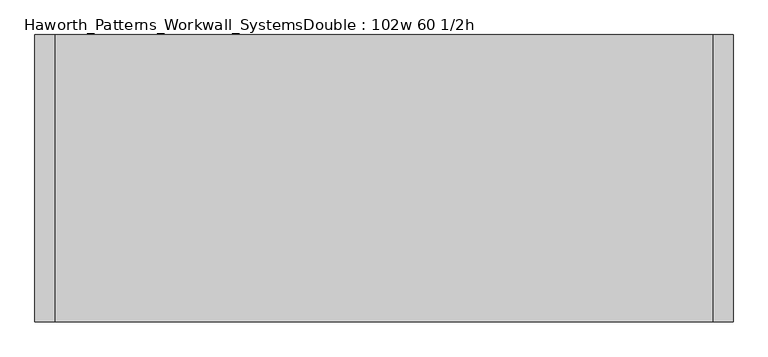
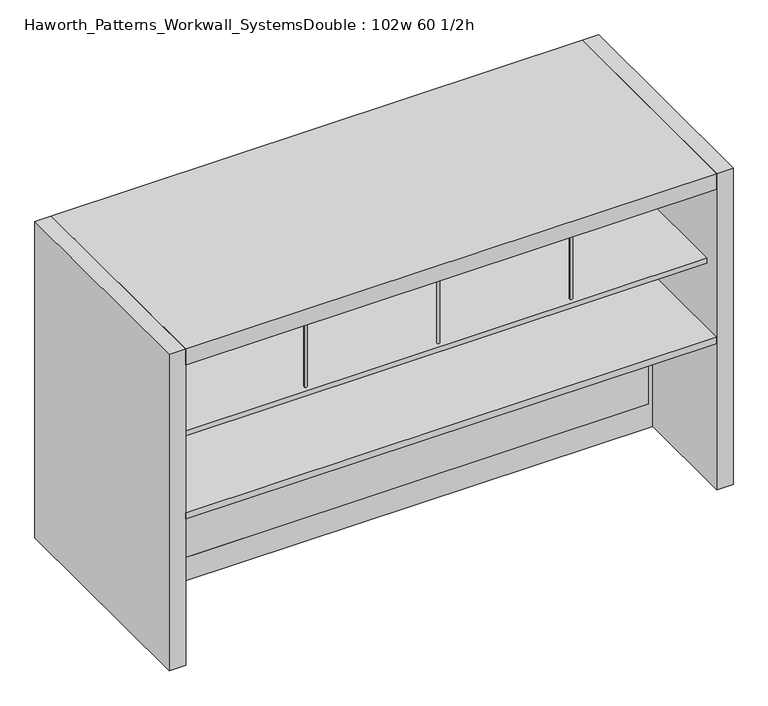
"""IFC4 building model written with IfcOpenShell, lengths in millimetres: furniture geometry, Haworth_Patterns_Workwall_SystemsDouble : 102w 60 1/2h."""

from ifc_helpers import new_model, si_unit, point, frame, frame_2d, origin, origin_with_axes, place, context, project, spatial, polyline, circle_curve, trimmed, segment, composite_curve, outline, extrude, source, transform, mapped, element, save


def haworth_patterns_workwall_systemsdouble_102w_60_1_2h_e6796c5b(model_context):
    return source(origin(), model_context, "Body", "SweptSolid", [
        extrude(outline(composite_curve([segment(trimmed(circle_curve(frame_2d((-609.6, 787.4)), 6.35), [point((-603.25, 787.4))], [point((-615.95, 787.4))], False, "CARTESIAN"), True, "CONTINUOUS"), segment(trimmed(circle_curve(frame_2d((-609.6, 787.4)), 6.35), [point((-615.95, 787.4))], [point((-603.25, 787.4))], False, "CARTESIAN"), True, "CONTINUOUS")], self_intersect=False)), frame((0.0, 0.0, 1079.5), z_axis=(0.0, 0.0, 1.0), x_axis=(1.0, 0.0, 0.0)), (0.0, 0.0, 1.0), 381.0),
        extrude(outline(composite_curve([segment(trimmed(circle_curve(frame_2d((-609.6, 406.4)), 6.35), [point((-603.25, 406.4))], [point((-615.95, 406.4))], False, "CARTESIAN"), True, "CONTINUOUS"), segment(trimmed(circle_curve(frame_2d((-609.6, 406.4)), 6.35), [point((-615.95, 406.4))], [point((-603.25, 406.4))], False, "CARTESIAN"), True, "CONTINUOUS")], self_intersect=False)), frame((0.0, 0.0, 1079.5), z_axis=(0.0, 0.0, 1.0), x_axis=(1.0, 0.0, 0.0)), (0.0, 0.0, 1.0), 381.0),
        extrude(outline(composite_curve([segment(trimmed(circle_curve(frame_2d((-1219.2, 787.4)), 6.35), [point((-1212.85, 787.4))], [point((-1225.55, 787.4))], False, "CARTESIAN"), True, "CONTINUOUS"), segment(trimmed(circle_curve(frame_2d((-1219.2, 787.4)), 6.35), [point((-1225.55, 787.4))], [point((-1212.85, 787.4))], False, "CARTESIAN"), True, "CONTINUOUS")], self_intersect=False)), frame((0.0, 0.0, 1079.5), z_axis=(0.0, 0.0, 1.0), x_axis=(1.0, 0.0, 0.0)), (0.0, 0.0, 1.0), 381.0),
        extrude(outline(composite_curve([segment(trimmed(circle_curve(frame_2d((-1219.2, 406.4)), 6.35), [point((-1212.85, 406.4))], [point((-1225.55, 406.4))], False, "CARTESIAN"), True, "CONTINUOUS"), segment(trimmed(circle_curve(frame_2d((-1219.2, 406.4)), 6.35), [point((-1225.55, 406.4))], [point((-1212.85, 406.4))], False, "CARTESIAN"), True, "CONTINUOUS")], self_intersect=False)), frame((0.0, 0.0, 1079.5), z_axis=(0.0, 0.0, 1.0), x_axis=(1.0, 0.0, 0.0)), (0.0, 0.0, 1.0), 381.0),
        extrude(outline(composite_curve([segment(trimmed(circle_curve(frame_2d((0.0, 787.4)), 6.35), [point((6.35, 787.4))], [point((-6.35, 787.4))], False, "CARTESIAN"), True, "CONTINUOUS"), segment(trimmed(circle_curve(frame_2d((0.0, 787.4)), 6.35), [point((-6.35, 787.4))], [point((6.35, 787.4))], False, "CARTESIAN"), True, "CONTINUOUS")], self_intersect=False)), frame((0.0, 0.0, 1079.5), z_axis=(0.0, 0.0, 1.0), x_axis=(1.0, 0.0, 0.0)), (0.0, 0.0, 1.0), 381.0),
        extrude(outline(composite_curve([segment(trimmed(circle_curve(frame_2d((0.0, 406.4)), 6.35), [point((6.35, 406.4))], [point((-6.35, 406.4))], False, "CARTESIAN"), True, "CONTINUOUS"), segment(trimmed(circle_curve(frame_2d((0.0, 406.4)), 6.35), [point((-6.35, 406.4))], [point((6.35, 406.4))], False, "CARTESIAN"), True, "CONTINUOUS")], self_intersect=False)), frame((0.0, 0.0, 1079.5), z_axis=(0.0, 0.0, 1.0), x_axis=(1.0, 0.0, 0.0)), (0.0, 0.0, 1.0), 381.0),
        extrude(outline(polyline([(-1828.8, 381.0), (-1828.8, 812.8), (609.6, 812.8), (609.6, 381.0), (-1828.8, 381.0)])), frame((0.0, 0.0, 1054.1), z_axis=(0.0, 0.0, 1.0), x_axis=(1.0, 0.0, 0.0)), (0.0, 0.0, 1.0), 25.4),
        extrude(outline(polyline([(609.6, 415.925), (-1828.8, 415.925), (-1828.8, 889.0), (609.6, 889.0), (609.6, 415.925)])), frame((0.0, 0.0, 711.2), z_axis=(0.0, 0.0, 1.0), x_axis=(1.0, 0.0, 0.0)), (0.0, 0.0, 1.0), 30.1625),
        extrude(outline(polyline([(-609.6, 333.375), (-1828.8, 333.375), (-1828.8, 352.425), (-609.6, 352.425), (-609.6, 333.375)])), frame((0.0, 0.0, 635.0), z_axis=(0.0, 0.0, 1.0), x_axis=(1.0, 0.0, 0.0)), (0.0, 0.0, 1.0), 825.5),
        extrude(outline(polyline([(609.6, 333.375), (-609.6, 333.375), (-609.6, 352.425), (609.6, 352.425), (609.6, 333.375)])), frame((0.0, 0.0, 635.0), z_axis=(0.0, 0.0, 1.0), x_axis=(1.0, 0.0, 0.0)), (0.0, 0.0, 1.0), 825.5),
        extrude(outline(composite_curve([segment(trimmed(circle_curve(frame_2d((-609.6, -76.2)), 6.35), [point((-615.95, -76.2))], [point((-603.25, -76.2))], False, "CARTESIAN"), True, "CONTINUOUS"), segment(trimmed(circle_curve(frame_2d((-609.6, -76.2)), 6.35), [point((-603.25, -76.2))], [point((-615.95, -76.2))], False, "CARTESIAN"), True, "CONTINUOUS")], self_intersect=False)), frame((0.0, 0.0, 1079.5), z_axis=(0.0, 0.0, 1.0), x_axis=(1.0, 0.0, 0.0)), (0.0, 0.0, 1.0), 381.0),
        extrude(outline(composite_curve([segment(trimmed(circle_curve(frame_2d((-609.6, 304.8)), 6.35), [point((-615.95, 304.8))], [point((-603.25, 304.8))], False, "CARTESIAN"), True, "CONTINUOUS"), segment(trimmed(circle_curve(frame_2d((-609.6, 304.8)), 6.35), [point((-603.25, 304.8))], [point((-615.95, 304.8))], False, "CARTESIAN"), True, "CONTINUOUS")], self_intersect=False)), frame((0.0, 0.0, 1079.5), z_axis=(0.0, 0.0, 1.0), x_axis=(1.0, 0.0, 0.0)), (0.0, 0.0, 1.0), 381.0),
        extrude(outline(composite_curve([segment(trimmed(circle_curve(frame_2d((0.0, -76.2)), 6.35), [point((-6.35, -76.2))], [point((6.35, -76.2))], False, "CARTESIAN"), True, "CONTINUOUS"), segment(trimmed(circle_curve(frame_2d((0.0, -76.2)), 6.35), [point((6.35, -76.2))], [point((-6.35, -76.2))], False, "CARTESIAN"), True, "CONTINUOUS")], self_intersect=False)), frame((0.0, 0.0, 1079.5), z_axis=(0.0, 0.0, 1.0), x_axis=(1.0, 0.0, 0.0)), (0.0, 0.0, 1.0), 381.0),
        extrude(outline(composite_curve([segment(trimmed(circle_curve(frame_2d((0.0, 304.8)), 6.35), [point((-6.35, 304.8))], [point((6.35, 304.8))], False, "CARTESIAN"), True, "CONTINUOUS"), segment(trimmed(circle_curve(frame_2d((0.0, 304.8)), 6.35), [point((6.35, 304.8))], [point((-6.35, 304.8))], False, "CARTESIAN"), True, "CONTINUOUS")], self_intersect=False)), frame((0.0, 0.0, 1079.5), z_axis=(0.0, 0.0, 1.0), x_axis=(1.0, 0.0, 0.0)), (0.0, 0.0, 1.0), 381.0),
        extrude(outline(composite_curve([segment(trimmed(circle_curve(frame_2d((-1219.2, -76.2)), 6.35), [point((-1225.55, -76.2))], [point((-1212.85, -76.2))], False, "CARTESIAN"), True, "CONTINUOUS"), segment(trimmed(circle_curve(frame_2d((-1219.2, -76.2)), 6.35), [point((-1212.85, -76.2))], [point((-1225.55, -76.2))], False, "CARTESIAN"), True, "CONTINUOUS")], self_intersect=False)), frame((0.0, 0.0, 1079.5), z_axis=(0.0, 0.0, 1.0), x_axis=(1.0, 0.0, 0.0)), (0.0, 0.0, 1.0), 381.0),
        extrude(outline(composite_curve([segment(trimmed(circle_curve(frame_2d((-1219.2, 304.8)), 6.35), [point((-1225.55, 304.8))], [point((-1212.85, 304.8))], False, "CARTESIAN"), True, "CONTINUOUS"), segment(trimmed(circle_curve(frame_2d((-1219.2, 304.8)), 6.35), [point((-1212.85, 304.8))], [point((-1225.55, 304.8))], False, "CARTESIAN"), True, "CONTINUOUS")], self_intersect=False)), frame((0.0, 0.0, 1079.5), z_axis=(0.0, 0.0, 1.0), x_axis=(1.0, 0.0, 0.0)), (0.0, 0.0, 1.0), 381.0),
        extrude(outline(polyline([(609.6, 330.2), (609.6, -101.6), (-1828.8, -101.6), (-1828.8, 330.2), (609.6, 330.2)])), frame((0.0, 0.0, 1054.1), z_axis=(0.0, 0.0, 1.0), x_axis=(1.0, 0.0, 0.0)), (0.0, 0.0, 1.0), 25.4),
        extrude(outline(polyline([(1460.5, 609.6), (1460.5, -1828.8), (635.0, -1828.8), (635.0, 609.6), (1460.5, 609.6)]), holes=[polyline([(1441.45, 590.55), (654.05, 590.55), (654.05, -1809.75), (1441.45, -1809.75), (1441.45, 590.55)])]), frame((0.0, 330.2, 0.0), z_axis=(0.0, 1.0, 0.0), x_axis=(0.0, 0.0, 1.0)), (0.0, 0.0, 1.0), 25.4),
        extrude(outline(polyline([(590.55, 330.2), (-1809.75, 330.2), (-1809.75, 355.6), (590.55, 355.6), (590.55, 330.2)])), frame((0.0, 0.0, 114.3), z_axis=(0.0, 0.0, 1.0), x_axis=(1.0, 0.0, 0.0)), (0.0, 0.0, 1.0), 495.3),
        extrude(outline(polyline([(-1828.8, 295.275), (609.6, 295.275), (609.6, -177.8), (-1828.8, -177.8), (-1828.8, 295.275)])), frame((0.0, 0.0, 711.2), z_axis=(0.0, 0.0, 1.0), x_axis=(1.0, 0.0, 0.0)), (0.0, 0.0, 1.0), 30.1625),
        extrude(outline(polyline([(635.0, 609.6), (635.0, -1828.8), (0.0, -1828.8), (0.0, 609.6), (635.0, 609.6)]), holes=[polyline([(609.6, 590.55), (114.3, 590.55), (114.3, -1809.75), (609.6, -1809.75), (609.6, 590.55)])]), frame((0.0, 330.2, 0.0), z_axis=(0.0, 1.0, 0.0), x_axis=(0.0, 0.0, 1.0)), (0.0, 0.0, 1.0), 25.4),
        extrude(outline(polyline([(609.6, -177.8), (-1828.8, -177.8), (-1828.8, 889.0), (609.6, 889.0), (609.6, -177.8)])), frame((0.0, 0.0, 1460.5), z_axis=(0.0, 0.0, 1.0), x_axis=(1.0, 0.0, 0.0)), (0.0, 0.0, 1.0), 76.2),
        extrude(outline(polyline([(685.8, 889.0), (685.8, -177.8), (609.6, -177.8), (609.6, 889.0), (685.8, 889.0)])), origin_with_axes(), (0.0, 0.0, 1.0), 1536.7),
        extrude(outline(polyline([(-1828.8, 889.0), (-1828.8, -177.8), (-1905.0, -177.8), (-1905.0, 889.0), (-1828.8, 889.0)])), origin_with_axes(), (0.0, 0.0, 1.0), 1536.7),
    ])


if __name__ == "__main__":
    model = new_model("IFC4")
    model_context = context("Model", 3, world=origin())
    ifc_project = project(units=[si_unit("LENGTHUNIT", "METRE", prefix="MILLI")], contexts=[model_context])
    site = spatial("IfcSite", under=ifc_project)
    building = spatial("IfcBuilding", under=site)
    placement = place(None, origin())
    haworth_patterns_workwall_systemsdouble_102w_60_1_2h_shape = haworth_patterns_workwall_systemsdouble_102w_60_1_2h_e6796c5b(model_context)
    element("IfcFurniture", 1, ObjectType="Haworth_Patterns_Workwall_SystemsDouble : 102w 60 1/2h", at=placement, inside=building, context=model_context, shape_type="MappedRepresentation", body=[
        mapped(haworth_patterns_workwall_systemsdouble_102w_60_1_2h_shape, transform((0.0, 0.0, 0.0), x_axis=(1.0, 0.0, 0.0), y_axis=(0.0, 1.0, 0.0), z_axis=(0.0, 0.0, 1.0))),
    ])
    save(model, "model.ifc")
